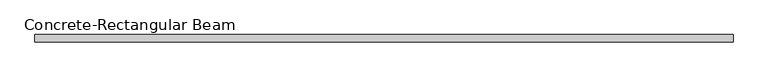
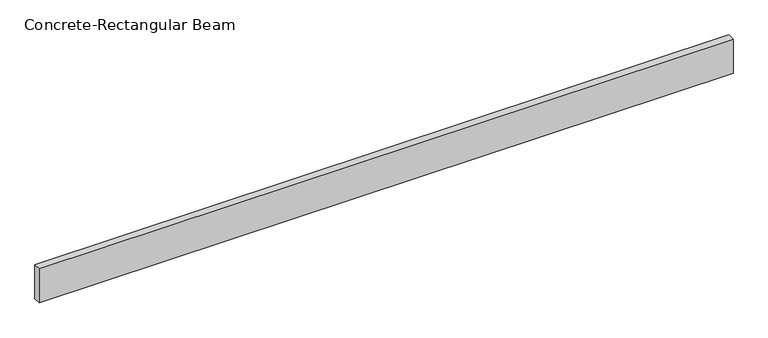
"""IFC4 building model written with IfcOpenShell, lengths in millimetres: beam geometry, Concrete-Rectangular Beam."""

from ifc_helpers import new_model, si_unit, frame, origin, place, context, project, spatial, polyline, outline, extrude, source, transform, mapped, element, save


def concrete_rectangular_beam_c43ee6c6(model_context):
    return source(origin(), model_context, "Body", "SweptSolid", [
        extrude(outline(polyline([(2409.0264752, 25.0), (2409.0264752, -25.0), (-2409.0264752, -25.0), (-2409.0264752, 25.0), (2409.0264752, 25.0)])), frame((0.0, 0.0, -125.0), z_axis=(0.0, 0.0, 1.0), x_axis=(1.0, 0.0, 0.0)), (0.0, 0.0, 1.0), 250.0),
    ])


if __name__ == "__main__":
    model = new_model("IFC4")
    model_context = context("Model", 3, world=origin())
    ifc_project = project(units=[si_unit("LENGTHUNIT", "METRE", prefix="MILLI")], contexts=[model_context])
    site = spatial("IfcSite", under=ifc_project)
    building = spatial("IfcBuilding", under=site)
    placement = place(None, origin())
    concrete_rectangular_beam_shape = concrete_rectangular_beam_c43ee6c6(model_context)
    element("IfcBeam", 1, ObjectType="Concrete-Rectangular Beam", at=placement, inside=building, context=model_context, shape_type="MappedRepresentation", body=[
        mapped(concrete_rectangular_beam_shape, transform((0.0, 0.0, 0.0), x_axis=(1.0, 0.0, 0.0), y_axis=(0.0, 1.0, 0.0), z_axis=(0.0, 0.0, 1.0))),
    ])
    save(model, "model.ifc")
